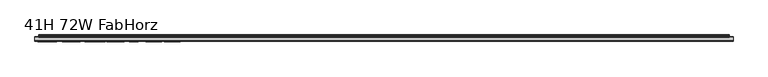
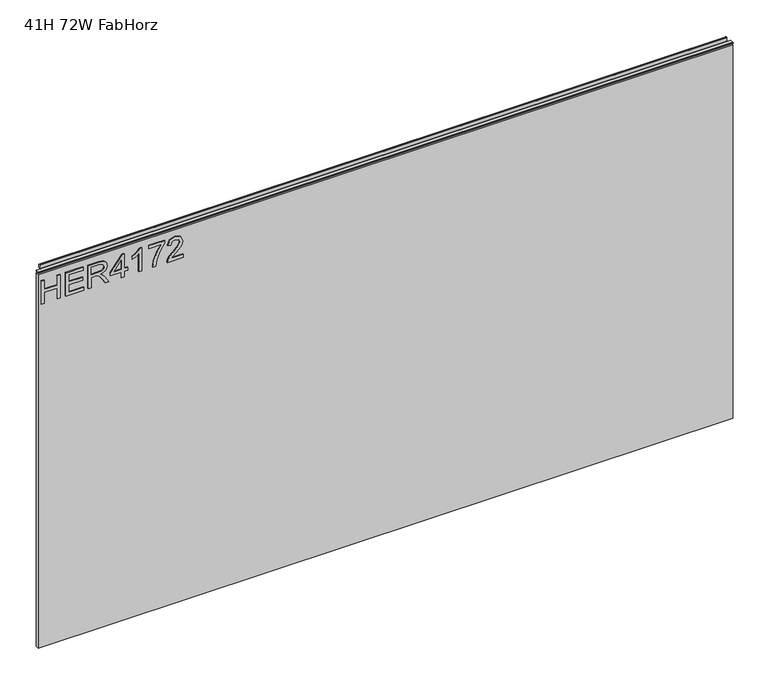
"""IFC4 building model written with IfcOpenShell, lengths in millimetres: furniture geometry, 41H 72W FabHorz."""

from ifc_helpers import new_model, si_unit, frame, origin, place, context, project, spatial, polyline, outline, extrude, source, transform, mapped, element, save


def furniture_41h_72w_fabhorz_22f8e00c(model_context):
    return source(origin(), model_context, "Body", "SweptSolid", [
        extrude(outline(polyline([(1052.96462, -291.2189953), (1052.96462, -283.2452757), (1082.8660686, -283.2452757), (1082.8660686, -249.3569673), (1052.96462, -249.3569673), (1052.96462, -241.3832477), (1116.7543769, -241.3832477), (1116.7543769, -249.3569673), (1090.8397882, -249.3569673), (1090.8397882, -283.2452757), (1116.7543769, -283.2452757), (1116.7543769, -291.2189953), (1052.96462, -291.2189953)])), frame((0.0, -5.5562439, 0.0), z_axis=(0.0, 1.0, 0.0), x_axis=(0.0, 0.0, 1.0)), (0.0, 0.0, 1.0), 2.38125),
        extrude(outline(polyline([(1052.96462, -227.4292384), (1052.96462, -180.5836356), (1060.9383396, -180.5836356), (1060.9383396, -219.4555188), (1081.8693536, -219.4555188), (1081.8693536, -183.5737805), (1089.8430732, -183.5737805), (1089.8430732, -219.4555188), (1108.7806573, -219.4555188), (1108.7806573, -181.5803506), (1116.7543769, -181.5803506), (1116.7543769, -227.4292384), (1052.96462, -227.4292384)])), frame((0.0, -5.5562439, 0.0), z_axis=(0.0, 1.0, 0.0), x_axis=(0.0, 0.0, 1.0)), (0.0, 0.0, 1.0), 2.38125),
        extrude(outline(polyline([(1052.96462, -168.6230562), (1052.96462, -160.6493366), (1080.8726387, -160.6493366), (1080.8726387, -151.0248078), (1080.5923126, -146.3994275), (1079.0738796, -142.6072386), (1074.93907, -138.3945605), (1066.1866668, -132.3986972), (1052.96462, -124.0979304), (1052.96462, -114.8315961), (1070.251395, -125.4684135), (1078.4587196, -131.931487), (1081.8693536, -136.4634253), (1087.8029223, -123.1090023), (1099.2962916, -118.7873086), (1108.9441809, -121.3958985), (1115.0334863, -128.3729032), (1116.7543769, -141.1355267), (1116.7543769, -168.6230562), (1052.96462, -168.6230562)]), holes=[polyline([(1088.8463583, -160.6493366), (1108.7806573, -160.6493366), (1108.7806573, -140.7929059), (1106.0241175, -130.132728), (1099.0003919, -126.7610282), (1093.5885411, -128.5286399), (1089.9754494, -133.6990987), (1088.8463583, -142.8019095), (1088.8463583, -160.6493366)])]), frame((0.0, -5.5562439, 0.0), z_axis=(0.0, 1.0, 0.0), x_axis=(0.0, 0.0, 1.0)), (0.0, 0.0, 1.0), 2.38125),
        extrude(outline(polyline([(1052.96462, -81.9088554), (1052.96462, -73.9351357), (1067.9153443, -73.9351357), (1067.9153443, -65.9614161), (1075.8890639, -65.9614161), (1075.8890639, -73.9351357), (1115.757662, -73.9351357), (1115.757662, -79.9154255), (1075.8890639, -110.813589), (1067.9153443, -110.813589), (1067.9153443, -81.9088554), (1052.96462, -81.9088554)]), holes=[polyline([(1075.8890639, -81.9088554), (1075.8890639, -101.0021762), (1100.5266116, -81.9088554), (1075.8890639, -81.9088554)])]), frame((0.0, -5.5562439, 0.0), z_axis=(0.0, 1.0, 0.0), x_axis=(0.0, 0.0, 1.0)), (0.0, 0.0, 1.0), 2.38125),
        extrude(outline(polyline([(1052.96462, -29.0829629), (1116.7543769, -29.0829629), (1116.7543769, -34.2222744), (1108.2667262, -41.3160816), (1100.8069377, -53.0041217), (1093.2692809, -53.0041217), (1097.2950749, -44.609913), (1102.6757782, -37.0566825), (1052.96462, -37.0566825), (1052.96462, -29.0829629)])), frame((0.0, -5.5562439, 0.0), z_axis=(0.0, 1.0, 0.0), x_axis=(0.0, 0.0, 1.0)), (0.0, 0.0, 1.0), 2.38125),
        extrude(outline(polyline([(1107.7839424, -10.1453788), (1107.7839424, 23.7429296), (1091.2836378, 11.6889081), (1070.9522102, 2.9910128), (1052.96462, -0.1782293), (1052.96462, 7.7954903), (1070.298116, 10.7544879), (1092.1557634, 19.841725), (1109.3101621, 31.7166492), (1115.757662, 31.7166492), (1115.757662, -10.1453788), (1107.7839424, -10.1453788)])), frame((0.0, -5.5562439, 0.0), z_axis=(0.0, 1.0, 0.0), x_axis=(0.0, 0.0, 1.0)), (0.0, 0.0, 1.0), 2.38125),
        extrude(outline(polyline([(1060.9383396, 79.5589669), (1060.9383396, 48.2403143), (1064.9952809, 51.8378323), (1072.665314, 61.0107246), (1083.5902443, 72.4340124), (1091.4082272, 77.1450479), (1098.9692445, 78.562252), (1111.6462128, 73.306138), (1116.7543769, 59.0328684), (1112.160144, 44.8063198), (1098.8135078, 38.6936539), (1097.8167929, 46.6673735), (1105.8683808, 50.0234996), (1108.7806573, 58.861558), (1105.7982993, 67.3414219), (1098.4864607, 70.5885323), (1089.4537315, 67.146751), (1076.16939, 53.3796257), (1066.9264162, 43.3969025), (1058.4621259, 38.5534908), (1052.96462, 37.6969389), (1052.96462, 79.5589669), (1060.9383396, 79.5589669)])), frame((0.0, -5.5562439, 0.0), z_axis=(0.0, 1.0, 0.0), x_axis=(0.0, 0.0, 1.0)), (0.0, 0.0, 1.0), 2.38125),
        extrude(outline(polyline([(5.5562561, 1142.95682), (6.3500061, 1142.95682), (6.3500061, 1152.83107), (7.1437561, 1153.62482), (8.6677569, 1153.62482), (10.0084363, 1153.2075126), (10.875413, 1152.1030016), (10.9623604, 1150.7015791), (10.2390011, 1147.7431659), (10.4046103, 1146.5401507), (11.6746103, 1144.3404303), (10.7786383, 1143.8231444), (7.1437561, 1143.8231444), (7.1437561, 1142.95682), (6.3500061, 1142.7237439), (6.3500061, 1135.51462), (5.5562561, 1135.51462), (5.5562561, 1142.95682)])), frame((-288.671, 0.0, 0.0), z_axis=(1.0, 0.0, 0.0), x_axis=(0.0, 1.0, 0.0)), (0.0, 0.0, 1.0), 1796.542),
        extrude(outline(polyline([(5.5562561, 1142.95682), (5.5562561, 1139.7818196), (-3.975094, 1139.7818196), (-5.3492339, 1140.5751857), (-5.3492339, 1142.1634595), (-3.9751037, 1142.95682), (5.5562561, 1142.95682)])), frame((-298.196, 0.0, 0.0), z_axis=(1.0, 0.0, 0.0), x_axis=(0.0, 1.0, 0.0)), (0.0, 0.0, 1.0), 1815.592),
        extrude(outline(polyline([(1517.396, 6.3500061), (1517.396, -3.1749939), (-298.196, -3.1749939), (-298.196, 6.3500061), (1517.396, 6.3500061)])), frame((0.0, 0.0, 102.3950127), z_axis=(0.0, 0.0, 1.0), x_axis=(1.0, 0.0, 0.0)), (0.0, 0.0, 1.0), 1033.1196073),
    ])


if __name__ == "__main__":
    model = new_model("IFC4")
    model_context = context("Model", 3, world=origin())
    ifc_project = project(units=[si_unit("LENGTHUNIT", "METRE", prefix="MILLI")], contexts=[model_context])
    site = spatial("IfcSite", under=ifc_project)
    building = spatial("IfcBuilding", under=site)
    placement = place(None, origin())
    furniture_41h_72w_fabhorz_shape = furniture_41h_72w_fabhorz_22f8e00c(model_context)
    element("IfcFurniture", 1, ObjectType="41H 72W FabHorz", at=placement, inside=building, context=model_context, shape_type="MappedRepresentation", body=[
        mapped(furniture_41h_72w_fabhorz_shape, transform((0.0, 0.0, 0.0), x_axis=(1.0, 0.0, 0.0), y_axis=(0.0, 1.0, 0.0), z_axis=(0.0, 0.0, 1.0))),
    ])
    save(model, "model.ifc")
